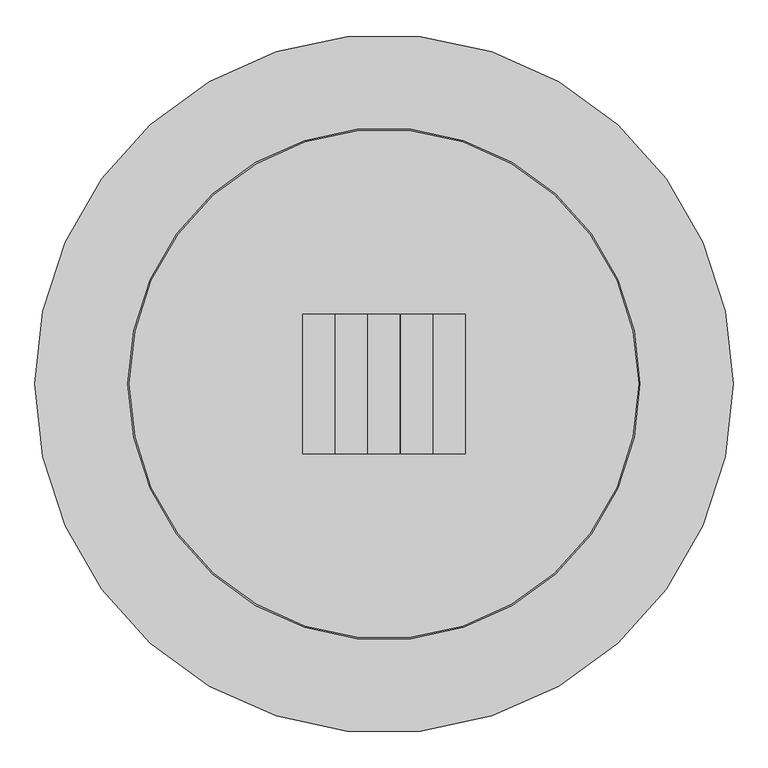
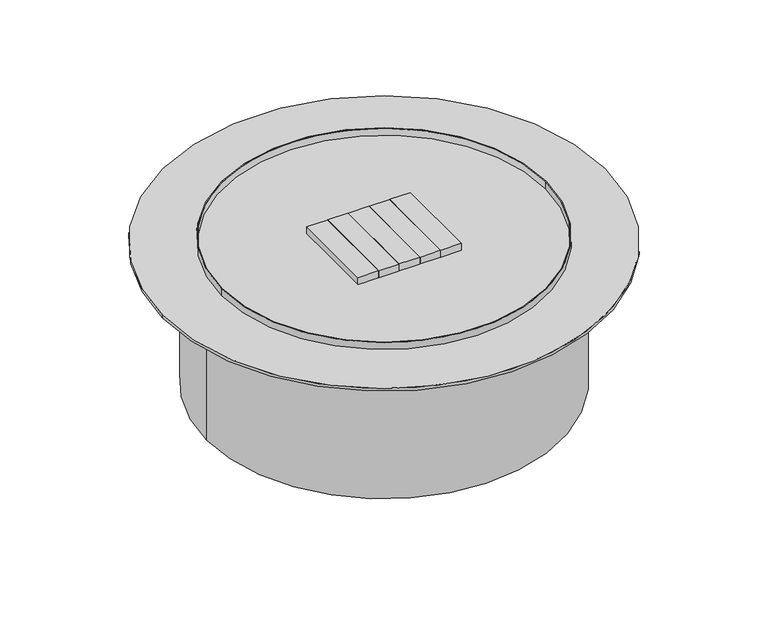
"""IFC4 building model written with IfcOpenShell, lengths in millimetres: proxy geometry."""

from ifc_helpers import new_model, si_unit, point, frame, origin, origin_with_axes, origin_2d, place, context, project, spatial, polyline, circle_curve, trimmed, segment, composite_curve, outline, extrude, source, transform, mapped, element, save


def generic_models_0307fc4b(model_context):
    return source(origin(), model_context, "Body", "SweptSolid", [
        extrude(outline(composite_curve([segment(trimmed(circle_curve(origin_2d(), 558.8), [point((-558.8, 0.0))], [point((558.8, 0.0))], False, "CARTESIAN"), True, "CONTINUOUS"), segment(trimmed(circle_curve(origin_2d(), 558.8), [point((558.8, 0.0))], [point((-558.8, 0.0))], False, "CARTESIAN"), True, "CONTINUOUS")], self_intersect=False), holes=[composite_curve([segment(trimmed(circle_curve(origin_2d(), 555.625), [point((-555.625, 0.0))], [point((555.625, 0.0))], True, "CARTESIAN"), True, "CONTINUOUS"), segment(trimmed(circle_curve(origin_2d(), 555.625), [point((555.625, 0.0))], [point((-555.625, 0.0))], True, "CARTESIAN"), True, "CONTINUOUS")], self_intersect=False)]), frame((0.0, 0.0, 508.0), z_axis=(0.0, 0.0, 1.0), x_axis=(1.0, 0.0, 0.0)), (0.0, 0.0, 1.0), 25.4),
        extrude(outline(polyline([(-107.823, 152.4), (-107.823, -152.4), (-177.673, -152.4), (-177.673, 152.4), (-107.823, 152.4)])), frame((0.0, 0.0, 508.0), z_axis=(0.0, 0.0, 1.0), x_axis=(1.0, 0.0, 0.0)), (0.0, 0.0, 1.0), 25.4),
        extrude(outline(polyline([(-36.449, 152.4), (-36.449, -152.4), (-106.299, -152.4), (-106.299, 152.4), (-36.449, 152.4)])), frame((0.0, 0.0, 508.0), z_axis=(0.0, 0.0, 1.0), x_axis=(1.0, 0.0, 0.0)), (0.0, 0.0, 1.0), 25.4),
        extrude(outline(polyline([(34.925, 152.4), (34.925, -152.4), (-34.925, -152.4), (-34.925, 152.4), (34.925, 152.4)])), frame((0.0, 0.0, 508.0), z_axis=(0.0, 0.0, 1.0), x_axis=(1.0, 0.0, 0.0)), (0.0, 0.0, 1.0), 25.4),
        extrude(outline(polyline([(106.299, 152.4), (106.299, -152.4), (36.449, -152.4), (36.449, 152.4), (106.299, 152.4)])), frame((0.0, 0.0, 508.0), z_axis=(0.0, 0.0, 1.0), x_axis=(1.0, 0.0, 0.0)), (0.0, 0.0, 1.0), 25.4),
        extrude(outline(polyline([(177.673, 152.4), (177.673, -152.4), (107.823, -152.4), (107.823, 152.4), (177.673, 152.4)])), frame((0.0, 0.0, 508.0), z_axis=(0.0, 0.0, 1.0), x_axis=(1.0, 0.0, 0.0)), (0.0, 0.0, 1.0), 25.4),
        extrude(outline(composite_curve([segment(trimmed(circle_curve(origin_2d(), 762.0), [point((-762.0, 0.0))], [point((762.0, 0.0))], False, "CARTESIAN"), True, "CONTINUOUS"), segment(trimmed(circle_curve(origin_2d(), 762.0), [point((762.0, 0.0))], [point((-762.0, 0.0))], False, "CARTESIAN"), True, "CONTINUOUS")], self_intersect=False)), frame((0.0, 0.0, 498.475), z_axis=(0.0, 0.0, 1.0), x_axis=(1.0, 0.0, 0.0)), (0.0, 0.0, 1.0), 9.525),
        extrude(outline(composite_curve([segment(trimmed(circle_curve(origin_2d(), 609.6), [point((-609.6, 0.0))], [point((609.6, 0.0))], False, "CARTESIAN"), True, "CONTINUOUS"), segment(trimmed(circle_curve(origin_2d(), 609.6), [point((609.6, 0.0))], [point((-609.6, 0.0))], False, "CARTESIAN"), True, "CONTINUOUS")], self_intersect=False)), origin_with_axes(), (0.0, 0.0, 1.0), 498.475),
    ])


if __name__ == "__main__":
    model = new_model("IFC4")
    model_context = context("Model", 3, world=origin())
    ifc_project = project(units=[si_unit("LENGTHUNIT", "METRE", prefix="MILLI")], contexts=[model_context])
    site = spatial("IfcSite", under=ifc_project)
    building = spatial("IfcBuilding", under=site)
    placement = place(None, origin())
    generic_models_shape = generic_models_0307fc4b(model_context)
    element("IfcBuildingElementProxy", 1, Name="Generic Models", at=placement, inside=building, context=model_context, shape_type="MappedRepresentation", body=[
        mapped(generic_models_shape, transform((0.0, 0.0, 0.0), x_axis=(1.0, 0.0, 0.0), y_axis=(0.0, 1.0, 0.0), z_axis=(0.0, 0.0, 1.0))),
    ])
    save(model, "model.ifc")
